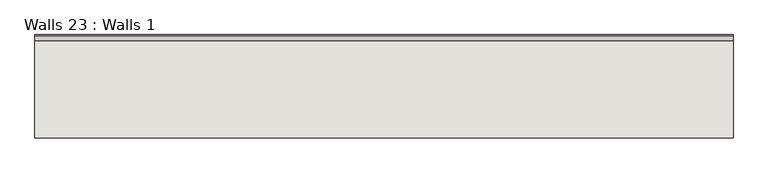
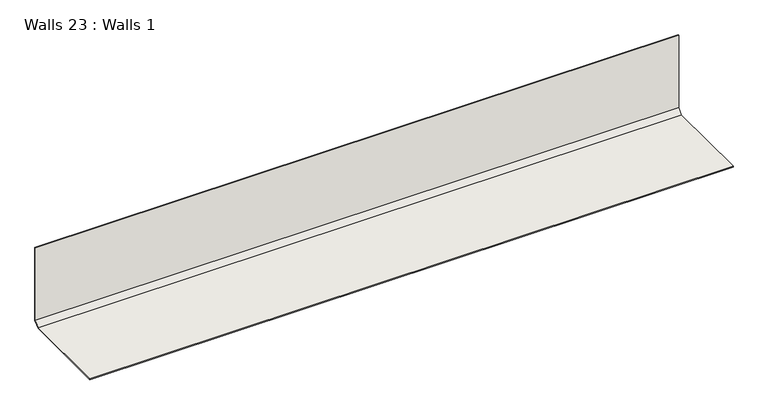
"""IFC4 building model written with IfcOpenShell, lengths in millimetres: wall geometry, Walls 23 : Walls 1."""

from ifc_helpers import new_model, si_unit, frame, origin, place, context, project, spatial, polyline, outline, extrude, source, transform, mapped, element, save


def walls_23_walls_1_688a989c(model_context):
    return source(origin(), model_context, "Body", "SweptSolid", [
        extrude(outline(polyline([(1904.9168691, 3.1732159), (1922.1087812, 20.3651281), (1922.1087812, 291.9262893), (1925.2837812, 291.9262893), (1925.2837812, 19.05), (1906.2337812, 0.0), (1586.805237, 0.0), (1586.805237, 3.1732159), (1904.9168691, 3.1732159)])), frame((965.49031, 0.0, 0.0), z_axis=(1.0, 0.0, 0.0), x_axis=(0.0, 1.0, 0.0)), (0.0, 0.0, 1.0), 2286.0),
    ])


if __name__ == "__main__":
    model = new_model("IFC4")
    model_context = context("Model", 3, world=origin())
    ifc_project = project(units=[si_unit("LENGTHUNIT", "METRE", prefix="MILLI")], contexts=[model_context])
    site = spatial("IfcSite", under=ifc_project)
    building = spatial("IfcBuilding", under=site)
    placement = place(None, origin())
    walls_23_walls_1_shape = walls_23_walls_1_688a989c(model_context)
    element("IfcWall", 1, ObjectType="Walls 23 : Walls 1", at=placement, inside=building, context=model_context, shape_type="MappedRepresentation", body=[
        mapped(walls_23_walls_1_shape, transform((0.0, 0.0, 0.0), x_axis=(1.0, 0.0, 0.0), y_axis=(0.0, 1.0, 0.0), z_axis=(0.0, 0.0, 1.0))),
    ])
    save(model, "model.ifc")
